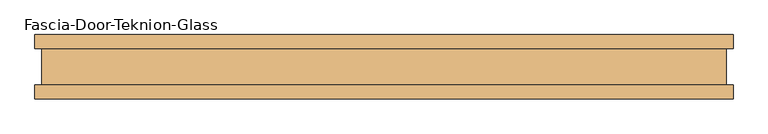
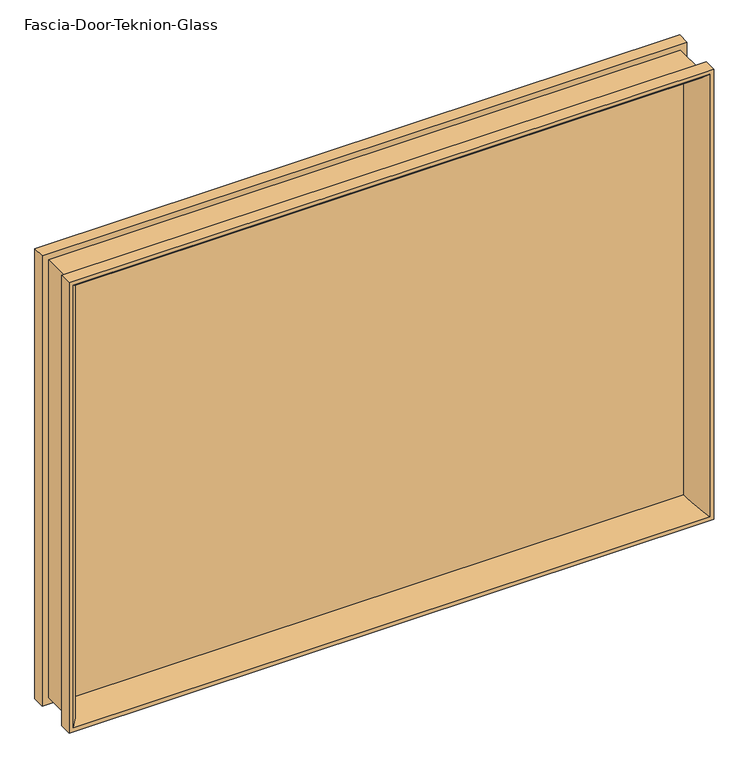
"""IFC4 building model written with IfcOpenShell, lengths in millimetres: door geometry, Fascia-Door-Teknion-Glass."""

from ifc_helpers import new_model, si_unit, frame, origin, place, context, project, spatial, polyline, ellipse_curve, outline, extrude, source, transform, mapped, element, save
from ifc_brep_helpers import plane_surface, cylinder_surface, advanced_brep


def fascia_door_teknion_glass_e03882a7(model_context):
    return source(origin(), model_context, "Body", "SolidModel", [
        advanced_brep(
        [(517.9824894, -5.0827449, 779.5923332), (517.9824894, -5.0827449, 28.1276668), (535.9373398, -50.0558594, 10.1728164), (535.9373398, -50.0558594, 797.5471836), (528.4726805, 5.0827449, 790.0825243), (528.4726805, 5.0827449, 17.6374757), (528.4726805, -5.0827449, 17.6374757), (528.4726805, -5.0827449, 790.0825243), (535.9373398, 50.0558594, 797.5471836), (535.9373398, 50.0558594, 10.1728164), (517.9824894, 5.0827449, 28.1276668), (517.9824894, 5.0827449, 779.5923332), (542.9351562, 28.8801202, 804.545), (542.9351562, 28.8801202, 3.175), (542.9351562, 50.0558594, 3.175), (542.9351562, 50.0558594, 804.545), (532.1101563, -28.2698798, 793.7200001), (532.1101563, -28.2698798, 13.9999999), (532.1101563, 28.8801202, 13.9999999), (532.1101563, 28.8801202, 793.7200001), (542.9351562, -50.0558594, 804.545), (542.9351562, -50.0558594, 3.175), (542.9351562, -28.2698798, 3.175), (542.9351562, -28.2698798, 804.545), (-517.9824894, -5.0827449, 28.1276668), (-535.9373398, -50.0558594, 10.1728164), (-528.4726805, 5.0827449, 17.6374757), (-528.4726805, -5.0827449, 17.6374757), (-535.9373398, 50.0558594, 10.1728164), (-517.9824894, 5.0827449, 28.1276668), (-542.9351562, 28.8801202, 3.175), (-542.9351562, 50.0558594, 3.175), (-532.1101562, -28.2698798, 13.9999999), (-532.1101562, 28.8801202, 13.9999999), (-542.9351562, -50.0558594, 3.175), (-542.9351562, -28.2698798, 3.175), (-517.9824894, -5.0827449, 779.5923332), (-535.9373398, -50.0558594, 797.5471836), (-528.4726805, 5.0827449, 790.0825243), (-528.4726805, -5.0827449, 790.0825243), (-535.9373398, 50.0558594, 797.5471836), (-517.9824894, 5.0827449, 779.5923332), (-542.9351562, 28.8801202, 804.545), (-542.9351562, 50.0558594, 804.545), (-532.1101562, -28.2698798, 793.7200001), (-532.1101562, 28.8801202, 793.7200001), (-542.9351562, -50.0558594, 804.545), (-542.9351562, -28.2698798, 804.545)],
        [
            (0, 1),
            (1, 2, ellipse_curve(frame((570.0687267, -10.3587469, -23.9585705), z_axis=(0.7071067811865475, 0.0, 0.7071067811865475), x_axis=(-0.7071067811865474, 0.0, 0.7071067811865476)), 74.0379946, 52.352768)),
            (2, 3),
            (3, 0, ellipse_curve(frame((570.0687267, -10.3587469, 831.6785705), z_axis=(0.7071067811865475, 0.0, -0.7071067811865475), x_axis=(0.7071067811865474, 0.0, 0.7071067811865476)), 74.0379946, 52.352768)),
            (4, 5),
            (5, 6),
            (6, 7),
            (7, 4),
            (8, 9),
            (9, 10, ellipse_curve(frame((570.0687267, 10.3587469, -23.9585705), z_axis=(0.7071067811865475, 0.0, 0.7071067811865475), x_axis=(-0.7071067811865474, 0.0, 0.7071067811865476)), 74.0379946, 52.352768)),
            (10, 11),
            (11, 8, ellipse_curve(frame((570.0687267, 10.3587469, 831.6785705), z_axis=(0.7071067811865475, 0.0, -0.7071067811865475), x_axis=(0.7071067811865474, 0.0, 0.7071067811865476)), 74.0379946, 52.352768)),
            (12, 13),
            (13, 14),
            (14, 15),
            (15, 12),
            (16, 17),
            (17, 18),
            (18, 19),
            (19, 16),
            (20, 21),
            (21, 22),
            (22, 23),
            (23, 20),
            (1, 24),
            (24, 25, ellipse_curve(frame((-570.0687267, -10.3587469, -23.9585705), z_axis=(0.7071067811865475, 0.0, -0.7071067811865475), x_axis=(0.7071067811865476, 0.0, 0.7071067811865474)), 74.0379946, 52.352768)),
            (25, 2),
            (5, 26),
            (26, 27),
            (27, 6),
            (9, 28),
            (28, 29, ellipse_curve(frame((-570.0687267, 10.3587469, -23.9585705), z_axis=(0.7071067811865475, 0.0, -0.7071067811865475), x_axis=(0.7071067811865476, 0.0, 0.7071067811865474)), 74.0379946, 52.352768)),
            (29, 10),
            (13, 30),
            (30, 31),
            (31, 14),
            (17, 32),
            (32, 33),
            (33, 18),
            (21, 34),
            (34, 35),
            (35, 22),
            (24, 36),
            (36, 37, ellipse_curve(frame((-570.0687267, -10.3587469, 831.6785705), z_axis=(-0.7071067811865475, 0.0, -0.7071067811865475), x_axis=(0.7071067811865474, 0.0, -0.7071067811865476)), 74.0379946, 52.352768)),
            (37, 25),
            (26, 38),
            (38, 39),
            (39, 27),
            (28, 40),
            (40, 41, ellipse_curve(frame((-570.0687267, 10.3587469, 831.6785705), z_axis=(-0.7071067811865475, 0.0, -0.7071067811865475), x_axis=(0.7071067811865474, 0.0, -0.7071067811865476)), 74.0379946, 52.352768)),
            (41, 29),
            (30, 42),
            (42, 43),
            (43, 31),
            (32, 44),
            (44, 45),
            (45, 33),
            (34, 46),
            (46, 47),
            (47, 35),
            (20, 46),
            (37, 3),
            (36, 0),
            (39, 7),
            (38, 4),
            (41, 11),
            (40, 8),
            (43, 15),
            (42, 12),
            (45, 19),
            (44, 16),
            (47, 23),
        ],
        [
            cylinder_surface(frame((570.0687267, -10.3587469, 804.545), z_axis=(0.0, 0.0, 1.0), x_axis=(1.0, 0.0, 0.0)), 52.352768),
            plane_surface(frame((528.4726805, -5.0827449, 790.0825243), z_axis=(-1.0, 0.0, 0.0), x_axis=(0.0, 0.0, -1.0))),
            cylinder_surface(frame((570.0687267, 10.3587469, 804.545), z_axis=(0.0, 0.0, 1.0), x_axis=(1.0, 0.0, 0.0)), 52.352768),
            plane_surface(frame((542.9351562, 50.0558594, 804.545), z_axis=(1.0, 0.0, 0.0), x_axis=(0.0, 0.0, -1.0))),
            plane_surface(frame((532.1101563, 28.8801202, 793.7200001), z_axis=(1.0, 0.0, 0.0), x_axis=(0.0, 0.0, -1.0))),
            plane_surface(frame((542.9351562, -28.2698798, 804.545), z_axis=(1.0, 0.0, 0.0), x_axis=(0.0, 0.0, -1.0))),
            cylinder_surface(frame((542.9351562, -10.3587469, -23.9585705), z_axis=(1.0, 0.0, 0.0), x_axis=(0.0, 0.0, -1.0)), 52.352768),
            plane_surface(frame((528.4726805, -5.0827449, 17.6374757), z_axis=(0.0, 0.0, 1.0), x_axis=(-1.0, 0.0, 0.0))),
            cylinder_surface(frame((542.9351562, 10.3587469, -23.9585705), z_axis=(1.0, 0.0, 0.0), x_axis=(0.0, 0.0, -1.0)), 52.352768),
            plane_surface(frame((542.9351562, 50.0558594, 3.175), z_axis=(0.0, 0.0, -1.0), x_axis=(-1.0, 0.0, 0.0))),
            plane_surface(frame((532.1101563, 28.8801202, 13.9999999), z_axis=(0.0, 0.0, -1.0), x_axis=(-1.0, 0.0, 0.0))),
            plane_surface(frame((542.9351562, -28.2698798, 3.175), z_axis=(0.0, 0.0, -1.0), x_axis=(-1.0, 0.0, 0.0))),
            cylinder_surface(frame((-570.0687267, -10.3587469, 3.175), z_axis=(0.0, 0.0, -1.0), x_axis=(-1.0, 0.0, 0.0)), 52.352768),
            plane_surface(frame((-528.4726805, -5.0827449, 17.6374757), z_axis=(1.0, 0.0, 0.0), x_axis=(0.0, 0.0, 1.0))),
            cylinder_surface(frame((-570.0687267, 10.3587469, 3.175), z_axis=(0.0, 0.0, -1.0), x_axis=(-1.0, 0.0, 0.0)), 52.352768),
            plane_surface(frame((-542.9351562, 50.0558594, 3.175), z_axis=(-1.0, 0.0, 0.0), x_axis=(0.0, 0.0, 1.0))),
            plane_surface(frame((-532.1101562, 28.8801202, 13.9999999), z_axis=(-1.0, 0.0, 0.0), x_axis=(0.0, 0.0, 1.0))),
            plane_surface(frame((-542.9351562, -28.2698798, 3.175), z_axis=(-1.0, 0.0, 0.0), x_axis=(0.0, 0.0, 1.0))),
            plane_surface(frame((-542.9351562, -50.0558594, 804.545), z_axis=(0.0, -1.0, 0.0), x_axis=(1.0, 0.0, 0.0))),
            cylinder_surface(frame((-542.9351562, -10.3587469, 831.6785705), z_axis=(-1.0, 0.0, 0.0), x_axis=(0.0, 0.0, 1.0)), 52.352768),
            plane_surface(frame((-517.9824894, -5.0827449, 779.5923332), z_axis=(0.0, 1.0, 0.0), x_axis=(1.0, 0.0, 0.0))),
            plane_surface(frame((-528.4726805, -5.0827449, 790.0825243), z_axis=(0.0, 0.0, -1.0), x_axis=(1.0, 0.0, 0.0))),
            plane_surface(frame((-528.4726805, 5.0827449, 790.0825243), z_axis=(0.0, -1.0, 0.0), x_axis=(1.0, 0.0, 0.0))),
            cylinder_surface(frame((-542.9351562, 10.3587469, 831.6785705), z_axis=(-1.0, 0.0, 0.0), x_axis=(0.0, 0.0, 1.0)), 52.352768),
            plane_surface(frame((-535.9373398, 50.0558594, 797.5471836), z_axis=(0.0, 1.0, 0.0), x_axis=(1.0, 0.0, 0.0))),
            plane_surface(frame((-542.9351562, 50.0558594, 804.545), z_axis=(0.0, 0.0, 1.0), x_axis=(1.0, 0.0, 0.0))),
            plane_surface(frame((-542.9351562, 28.8801202, 804.545), z_axis=(0.0, -1.0, 0.0), x_axis=(1.0, 0.0, 0.0))),
            plane_surface(frame((-532.1101562, 28.8801202, 793.7200001), z_axis=(0.0, 0.0, 1.0), x_axis=(1.0, 0.0, 0.0))),
            plane_surface(frame((-532.1101562, -28.2698798, 793.7200001), z_axis=(0.0, 1.0, 0.0), x_axis=(1.0, 0.0, 0.0))),
            plane_surface(frame((-542.9351562, -28.2698798, 804.545), z_axis=(0.0, 0.0, 1.0), x_axis=(1.0, 0.0, 0.0))),
        ],
        [
            (0, [[1, 2, 3, 4]]),
            (1, [[5, 6, 7, 8]]),
            (2, [[9, 10, 11, 12]]),
            (3, [[13, 14, 15, 16]]),
            (4, [[17, 18, 19, 20]]),
            (5, [[21, 22, 23, 24]]),
            (6, [[25, 26, 27, -2]]),
            (7, [[28, 29, 30, -6]]),
            (8, [[31, 32, 33, -10]]),
            (9, [[34, 35, 36, -14]]),
            (10, [[37, 38, 39, -18]]),
            (11, [[40, 41, 42, -22]]),
            (12, [[43, 44, 45, -26]]),
            (13, [[46, 47, 48, -29]]),
            (14, [[49, 50, 51, -32]]),
            (15, [[52, 53, 54, -35]]),
            (16, [[55, 56, 57, -38]]),
            (17, [[58, 59, 60, -41]]),
            (18, [[-21, 61, -58, -40], [-3, -27, -45, 62]]),
            (19, [[63, -4, -62, -44]]),
            (20, [[-7, -30, -48, 64], [-1, -63, -43, -25]]),
            (21, [[65, -8, -64, -47]]),
            (22, [[-5, -65, -46, -28], [-11, -33, -51, 66]]),
            (23, [[67, -12, -66, -50]]),
            (24, [[-15, -36, -54, 68], [-9, -67, -49, -31]]),
            (25, [[69, -16, -68, -53]]),
            (26, [[-13, -69, -52, -34], [-19, -39, -57, 70]]),
            (27, [[71, -20, -70, -56]]),
            (28, [[-23, -42, -60, 72], [-17, -71, -55, -37]]),
            (29, [[-61, -24, -72, -59]]),
        ],
    ),
        extrude(outline(polyline([(528.4726805, -2.9765625), (-528.4726805, -2.9765625), (-528.4726805, 2.9765625), (528.4726805, 2.9765625), (528.4726805, -2.9765625)])), frame((0.0, 0.0, 17.6374757), z_axis=(0.0, 0.0, 1.0), x_axis=(1.0, 0.0, 0.0)), (0.0, 0.0, 1.0), 772.4450485),
    ])


if __name__ == "__main__":
    model = new_model("IFC4")
    model_context = context("Model", 3, world=origin())
    ifc_project = project(units=[si_unit("LENGTHUNIT", "METRE", prefix="MILLI")], contexts=[model_context])
    site = spatial("IfcSite", under=ifc_project)
    building = spatial("IfcBuilding", under=site)
    placement = place(None, origin())
    fascia_door_teknion_glass_shape = fascia_door_teknion_glass_e03882a7(model_context)
    element("IfcDoor", 1, ObjectType="Fascia-Door-Teknion-Glass", at=placement, inside=building, context=model_context, shape_type="MappedRepresentation", body=[
        mapped(fascia_door_teknion_glass_shape, transform((0.0, 0.0, 0.0), x_axis=(1.0, 0.0, 0.0), y_axis=(0.0, 1.0, 0.0), z_axis=(0.0, 0.0, 1.0))),
    ])
    save(model, "model.ifc")
